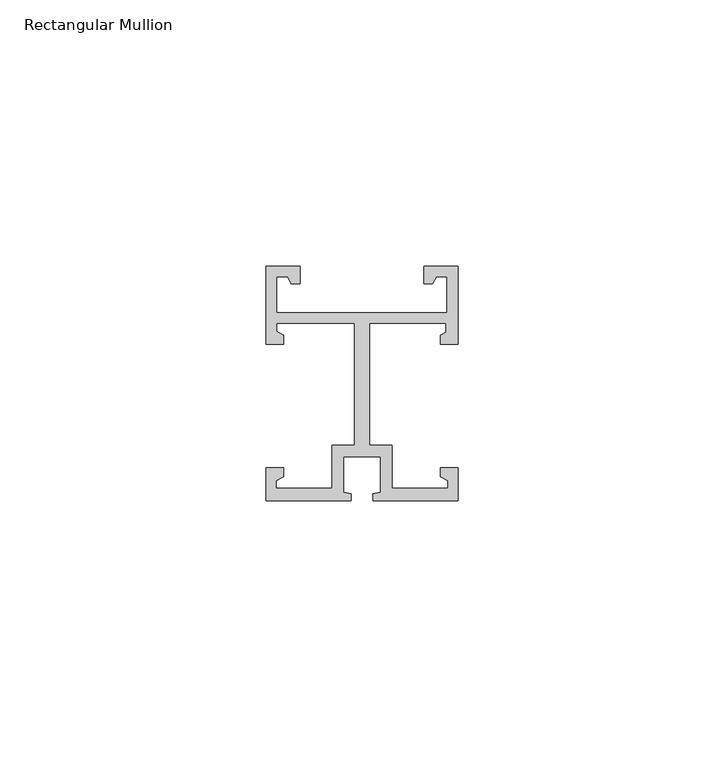
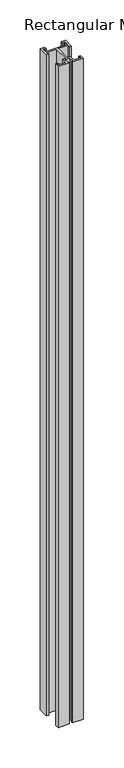
"""IFC4 building model written with IfcOpenShell, lengths in millimetres: member geometry, Rectangular Mullion."""

from ifc_helpers import new_model, si_unit, frame, origin, place, context, project, spatial, polyline, outline, extrude, source, transform, mapped, element, save


def rectangular_mullion_3edf0d15(model_context):
    return source(origin(), model_context, "Body", "SweptSolid", [
        extrude(outline(polyline([(0.0, -6.2e-05), (-15.95, -6.2e-05), (-15.95, 1.299938), (-14.5, 1.6052011), (-14.5, 8.299938), (-21.5, 8.299938), (-21.5, 1.6052011), (-20.05, 1.299938), (-20.05, -6.2e-05), (-36.0, -6.2e-05), (-36.0, 6.199938), (-32.75, 6.199938), (-32.75, 4.5216258), (-34.1378615, 3.7203436), (-34.1378615, 2.299938), (-23.6, 2.299938), (-23.6, 10.3825137), (-19.4, 10.3825137), (-19.4, 33.299938), (-34.0842281, 33.299938), (-34.0842281, 31.8485671), (-32.75, 31.0782502), (-32.75, 29.399938), (-36.0, 29.399938), (-36.0, 44.0), (-29.6, 44.0), (-29.6, 40.75), (-31.2783122, 40.75), (-32.0, 42.0), (-34.0, 42.0), (-34.0, 35.3), (-2.0, 35.3), (-2.0, 42.0), (-4.0, 42.0), (-4.7216878, 40.75), (-6.4, 40.75), (-6.4, 44.0), (0.0, 44.0), (0.0, 29.399938), (-3.25, 29.399938), (-3.25, 31.0782502), (-2.25, 31.6556004), (-2.25, 33.299938), (-16.6, 33.299938), (-16.6, 10.3825137), (-12.4, 10.3825137), (-12.4, 2.299938), (-1.8621385, 2.299938), (-1.8621385, 3.7203436), (-3.25, 4.5216258), (-3.25, 6.199938), (0.0, 6.199938), (0.0, -6.2e-05)])), frame((0.0, 0.0, -1000.0), z_axis=(0.0, 0.0, 1.0), x_axis=(1.0, 0.0, 0.0)), (0.0, 0.0, 1.0), 1000.0),
    ])


if __name__ == "__main__":
    model = new_model("IFC4")
    model_context = context("Model", 3, world=origin())
    ifc_project = project(units=[si_unit("LENGTHUNIT", "METRE", prefix="MILLI")], contexts=[model_context])
    site = spatial("IfcSite", under=ifc_project)
    building = spatial("IfcBuilding", under=site)
    placement = place(None, origin())
    rectangular_mullion_shape = rectangular_mullion_3edf0d15(model_context)
    element("IfcMember", 1, ObjectType="Rectangular Mullion", at=placement, inside=building, context=model_context, shape_type="MappedRepresentation", body=[
        mapped(rectangular_mullion_shape, transform((0.0, 0.0, 0.0), x_axis=(1.0, 0.0, 0.0), y_axis=(0.0, 1.0, 0.0), z_axis=(0.0, 0.0, 1.0))),
    ])
    save(model, "model.ifc")
